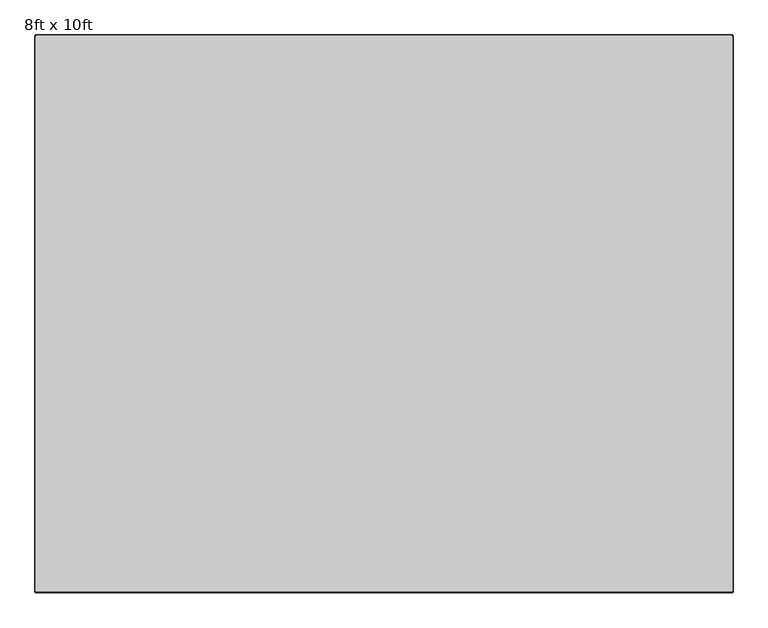
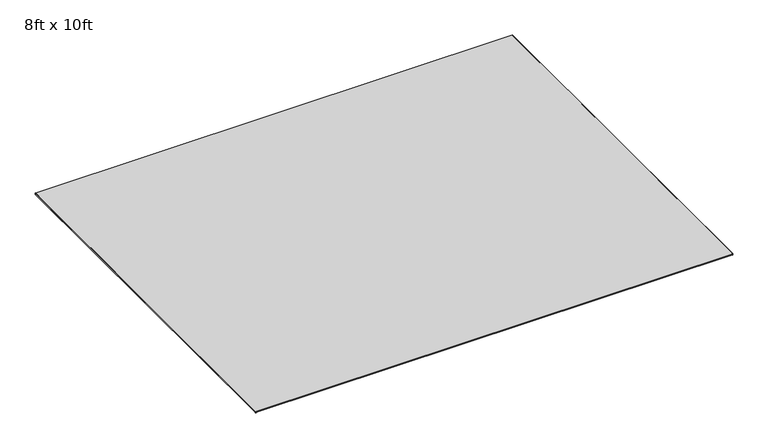
"""IFC4 building model written with IfcOpenShell, lengths in millimetres: furniture geometry, 8ft x 10ft."""

from ifc_helpers import new_model, si_unit, frame, origin, place, context, project, spatial, polyline, circle_curve, source, transform, mapped, element, save
from ifc_brep_helpers import plane_surface, cylinder_surface, revolved_surface, advanced_brep


def furniture_8ft_x_10ft_1f9c8995(model_context):
    return source(origin(), model_context, "Body", "AdvancedBrep", [
        advanced_brep(
        [(-658.8809829, 798.9249977, 6.9850002), (-661.4265124, 796.3794681, 6.9850002), (-661.4265124, -1631.8550023, 6.9850002), (-658.8865124, -1634.3950023, 6.9850002), (2378.9533713, -1634.3950023, 6.9850002), (2381.4933713, -1631.8550023, 6.9850002), (2381.4933713, 796.3849977, 6.9850002), (2378.9533713, 798.9249977, 6.9850002), (-663.9665124, 796.3794681, 0.0), (-658.8809829, 801.4649977, 0.0), (2378.9533713, 801.4649977, 0.0), (2384.0333713, 796.3849977, 0.0), (2384.0333713, -1631.8550023, 0.0), (2378.9533713, -1636.9350023, 0.0), (-658.8865124, -1636.9350023, 0.0), (-663.9665124, -1631.8550023, 0.0), (-663.9665124, 796.3794681, 4.4450002), (-658.8809829, 801.4649977, 4.4450002), (-663.9665124, -1631.8550023, 4.4450002), (-658.8865124, -1636.9350023, 4.4450002), (2378.9533713, -1636.9350023, 4.4450002), (2384.0333713, -1631.8550023, 4.4450002), (2384.0333713, 796.3849977, 4.4450002), (2378.9533713, 801.4649977, 4.4450002)],
        [
            (0, 1, circle_curve(frame((-658.8809829, 796.3794681, 6.9850002), z_axis=(0.0, 0.0, 1.0), x_axis=(0.0, 1.0, 0.0)), 2.5455296)),
            (1, 2),
            (2, 3, circle_curve(frame((-658.8865124, -1631.8550023, 6.9850002), z_axis=(0.0, 0.0, 1.0), x_axis=(-1.0, 0.0, 0.0)), 2.54)),
            (3, 4),
            (4, 5, circle_curve(frame((2378.9533713, -1631.8550023, 6.9850002), z_axis=(0.0, 0.0, 1.0), x_axis=(0.0, -1.0, 0.0)), 2.54)),
            (5, 6),
            (6, 7, circle_curve(frame((2378.9533713, 796.3849977, 6.9850002), z_axis=(0.0, 0.0, 1.0), x_axis=(1.0, 0.0, 0.0)), 2.54)),
            (7, 0),
            (8, 9, circle_curve(frame((-658.8809829, 796.3794681, 0.0), z_axis=(0.0, 0.0, -1.0), x_axis=(0.0, 1.0, 0.0)), 5.0855296)),
            (9, 10),
            (10, 11, circle_curve(frame((2378.9533713, 796.3849977, 0.0), z_axis=(0.0, 0.0, -1.0), x_axis=(1.0, 0.0, 0.0)), 5.08)),
            (11, 12),
            (12, 13, circle_curve(frame((2378.9533713, -1631.8550023, 0.0), z_axis=(0.0, 0.0, -1.0), x_axis=(0.0, -1.0, 0.0)), 5.08)),
            (13, 14),
            (14, 15, circle_curve(frame((-658.8865124, -1631.8550023, 0.0), z_axis=(0.0, 0.0, -1.0), x_axis=(-1.0, 0.0, 0.0)), 5.08)),
            (15, 8),
            (16, 17, circle_curve(frame((-658.8809829, 796.3794681, 4.4450002), z_axis=(0.0, 0.0, -1.0), x_axis=(0.0, 1.0, 0.0)), 5.0855296)),
            (17, 9),
            (8, 16),
            (16, 1),
            (0, 17),
            (15, 18),
            (18, 16),
            (18, 2),
            (14, 19),
            (19, 18, circle_curve(frame((-658.8865124, -1631.8550023, 4.4450002), z_axis=(0.0, 0.0, -1.0), x_axis=(-1.0, 0.0, 0.0)), 5.08)),
            (19, 3),
            (13, 20),
            (20, 19),
            (20, 4),
            (12, 21),
            (21, 20, circle_curve(frame((2378.9533713, -1631.8550023, 4.4450002), z_axis=(0.0, 0.0, -1.0), x_axis=(0.0, -1.0, 0.0)), 5.08)),
            (21, 5),
            (11, 22),
            (22, 21),
            (22, 6),
            (10, 23),
            (23, 22, circle_curve(frame((2378.9533713, 796.3849977, 4.4450002), z_axis=(0.0, 0.0, -1.0), x_axis=(1.0, 0.0, 0.0)), 5.08)),
            (23, 7),
            (17, 23),
        ],
        [
            plane_surface(frame((-658.8809829, 798.9249977, 6.9850002), z_axis=(0.0, 0.0, 1.0), x_axis=(-1.0, 0.0, 0.0))),
            plane_surface(frame((-658.8809829, 798.9249977, 0.0), z_axis=(0.0, 0.0, -1.0), x_axis=(1.0, 0.0, 0.0))),
            cylinder_surface(frame((-658.8809829, 796.3794681, 0.0), z_axis=(0.0, 0.0, 1.0), x_axis=(0.0, 1.0, 0.0)), 5.0855296),
            revolved_surface(polyline([(-658.8809829, 801.4649977, 4.4450002), (-658.8809829, 798.9249977, 6.9850002)]), (-658.8809829, 796.3794681, 0.0), (0.0, 0.0, 1.0)),
            plane_surface(frame((-663.9665124, 796.3794681, 0.0), z_axis=(-1.0, 0.0, 0.0), x_axis=(0.0, -1.0, 0.0))),
            plane_surface(frame((-663.9665124, 796.3794681, 4.4450002), z_axis=(-0.7071067811865469, 0.0, 0.7071067811865482), x_axis=(0.0, -1.0, 0.0))),
            cylinder_surface(frame((-658.8865124, -1631.8550023, 0.0), z_axis=(0.0, 0.0, 1.0), x_axis=(-1.0, 0.0, 0.0)), 5.08),
            revolved_surface(polyline([(-663.9665124, -1631.8550023, 4.4450002), (-661.4265124, -1631.8550023, 6.9850002)]), (-658.8865124, -1631.8550023, 0.0), (0.0, 0.0, 1.0)),
            plane_surface(frame((-658.8865124, -1636.9350023, 0.0), z_axis=(0.0, -1.0, 0.0), x_axis=(1.0, 0.0, 0.0))),
            plane_surface(frame((-658.8865124, -1636.9350023, 4.4450002), z_axis=(0.0, -0.7071067811865469, 0.7071067811865482), x_axis=(1.0, 0.0, 0.0))),
            cylinder_surface(frame((2378.9533713, -1631.8550023, 0.0), z_axis=(0.0, 0.0, 1.0), x_axis=(0.0, -1.0, 0.0)), 5.08),
            revolved_surface(polyline([(2378.9533713, -1636.9350023, 4.4450002), (2378.9533713, -1634.3950023, 6.9850002)]), (2378.9533713, -1631.8550023, 0.0), (0.0, 0.0, 1.0)),
            plane_surface(frame((2384.0333713, -1631.8550023, 0.0), z_axis=(1.0, 0.0, 0.0), x_axis=(0.0, 1.0, 0.0))),
            plane_surface(frame((2384.0333713, -1631.8550023, 4.4450002), z_axis=(0.7071067811865469, 0.0, 0.7071067811865482), x_axis=(0.0, 1.0, 0.0))),
            cylinder_surface(frame((2378.9533713, 796.3849977, 0.0), z_axis=(0.0, 0.0, 1.0), x_axis=(1.0, 0.0, 0.0)), 5.08),
            revolved_surface(polyline([(2384.0333713, 796.3849977, 4.4450002), (2381.4933713, 796.3849977, 6.9850002)]), (2378.9533713, 796.3849977, 0.0), (0.0, 0.0, 1.0)),
            plane_surface(frame((2378.9533713, 801.4649977, 0.0), z_axis=(0.0, 1.0, 0.0), x_axis=(-1.0, 0.0, 0.0))),
            plane_surface(frame((2378.9533713, 801.4649977, 4.4450002), z_axis=(0.0, 0.7071067811865469, 0.7071067811865482), x_axis=(-1.0, 0.0, 0.0))),
        ],
        [
            (0, [[1, 2, 3, 4, 5, 6, 7, 8]]),
            (1, [[9, 10, 11, 12, 13, 14, 15, 16]]),
            (2, [[17, 18, -9, 19]]),
            (3, [[-17, 20, -1, 21]]),
            (4, [[-19, -16, 22, 23]]),
            (5, [[-20, -23, 24, -2]]),
            (6, [[-22, -15, 25, 26]]),
            (7, [[-24, -26, 27, -3]]),
            (8, [[-25, -14, 28, 29]]),
            (9, [[-27, -29, 30, -4]]),
            (10, [[-28, -13, 31, 32]]),
            (11, [[-30, -32, 33, -5]]),
            (12, [[-31, -12, 34, 35]]),
            (13, [[-33, -35, 36, -6]]),
            (14, [[-34, -11, 37, 38]]),
            (15, [[-36, -38, 39, -7]]),
            (16, [[-18, 40, -37, -10]]),
            (17, [[-21, -8, -39, -40]]),
        ],
    ),
    ])


if __name__ == "__main__":
    model = new_model("IFC4")
    model_context = context("Model", 3, world=origin())
    ifc_project = project(units=[si_unit("LENGTHUNIT", "METRE", prefix="MILLI")], contexts=[model_context])
    site = spatial("IfcSite", under=ifc_project)
    building = spatial("IfcBuilding", under=site)
    placement = place(None, origin())
    furniture_8ft_x_10ft_shape = furniture_8ft_x_10ft_1f9c8995(model_context)
    element("IfcFurniture", 1, ObjectType="8ft x 10ft", at=placement, inside=building, context=model_context, shape_type="MappedRepresentation", body=[
        mapped(furniture_8ft_x_10ft_shape, transform((0.0, 0.0, 0.0), x_axis=(1.0, 0.0, 0.0), y_axis=(0.0, 1.0, 0.0), z_axis=(0.0, 0.0, 1.0))),
    ])
    save(model, "model.ifc")
